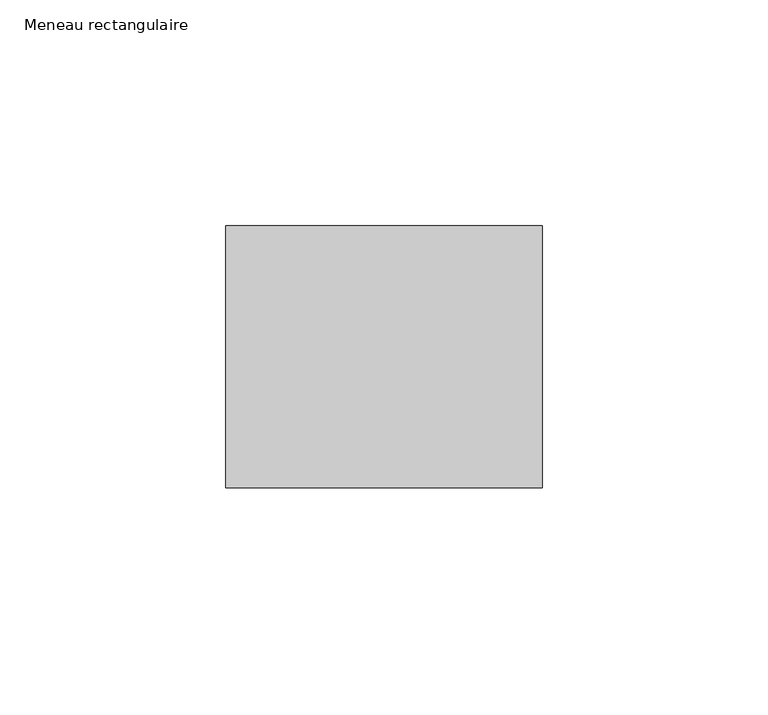
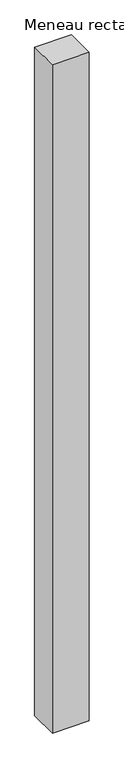
"""IFC4 building model written with IfcOpenShell, lengths in millimetres: member geometry, Meneau rectangulaire."""

from ifc_helpers import new_model, si_unit, frame, origin, place, context, project, spatial, polyline, outline, extrude, source, transform, mapped, element, save


def meneau_rectangulaire_ba0d02f5(model_context):
    return source(origin(), model_context, "Body", "SweptSolid", [
        extrude(outline(polyline([(0.0, 29.0), (0.0, -29.0), (-70.0, -29.0), (-70.0, 29.0), (0.0, 29.0)])), frame((0.0, 0.0, -1339.8333332), z_axis=(0.0, 0.0, 1.0), x_axis=(1.0, 0.0, 0.0)), (0.0, 0.0, 1.0), 1339.8333332),
    ])


if __name__ == "__main__":
    model = new_model("IFC4")
    model_context = context("Model", 3, world=origin())
    ifc_project = project(units=[si_unit("LENGTHUNIT", "METRE", prefix="MILLI")], contexts=[model_context])
    site = spatial("IfcSite", under=ifc_project)
    building = spatial("IfcBuilding", under=site)
    placement = place(None, origin())
    meneau_rectangulaire_shape = meneau_rectangulaire_ba0d02f5(model_context)
    element("IfcMember", 1, ObjectType="Meneau rectangulaire", at=placement, inside=building, context=model_context, shape_type="MappedRepresentation", body=[
        mapped(meneau_rectangulaire_shape, transform((0.0, 0.0, 0.0), x_axis=(1.0, 0.0, 0.0), y_axis=(0.0, 1.0, 0.0), z_axis=(0.0, 0.0, 1.0))),
    ])
    save(model, "model.ifc")
